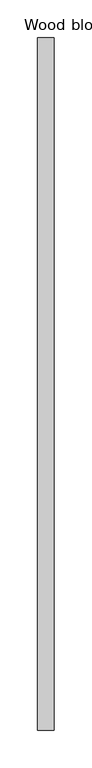
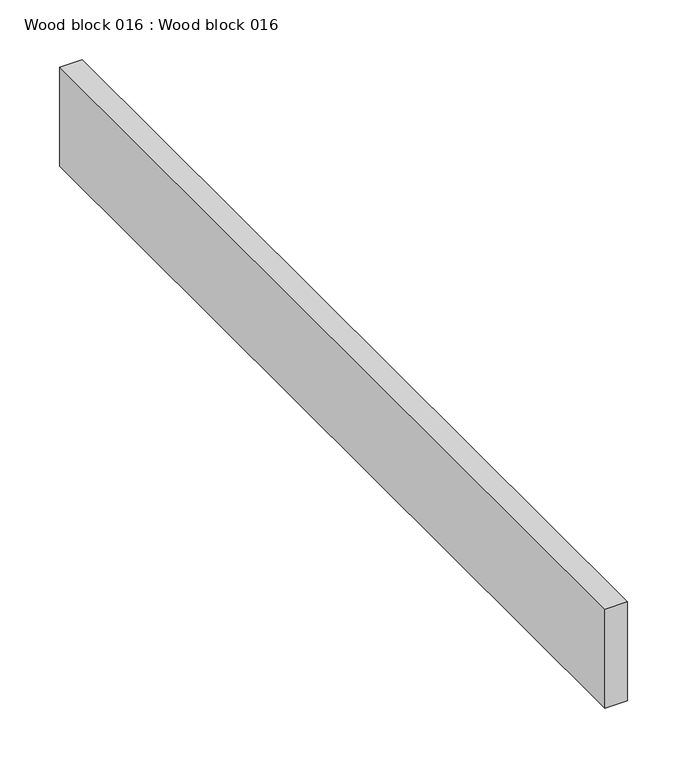
"""IFC4 building model written with IfcOpenShell, lengths in millimetres: proxy geometry, Wood block 016 : Wood block 016."""

from ifc_helpers import new_model, si_unit, frame, origin, place, context, project, spatial, polyline, outline, extrude, source, transform, mapped, element, save


def wood_block_016_wood_block_016_ec884008(model_context):
    return source(origin(), model_context, "Body", "SweptSolid", [
        extrude(outline(polyline([(37205.8513666, -18662.4264268), (37227.7380854, -18662.4264268), (37227.7380854, -19576.8264268), (37205.8513666, -19576.8264268), (37205.8513666, -18662.4264268)])), frame((0.0, 0.0, 1219.1354492), z_axis=(0.0, 0.0, 1.0), x_axis=(1.0, 0.0, 0.0)), (0.0, 0.0, 1.0), 101.6645508),
    ])


if __name__ == "__main__":
    model = new_model("IFC4")
    model_context = context("Model", 3, world=origin())
    ifc_project = project(units=[si_unit("LENGTHUNIT", "METRE", prefix="MILLI")], contexts=[model_context])
    site = spatial("IfcSite", under=ifc_project)
    building = spatial("IfcBuilding", under=site)
    placement = place(None, origin())
    wood_block_016_wood_block_016_shape = wood_block_016_wood_block_016_ec884008(model_context)
    element("IfcBuildingElementProxy", 1, Name="Wood block 016 : Wood block 016", ObjectType="Wood block 016 : Wood block 016", at=placement, inside=building, context=model_context, shape_type="MappedRepresentation", body=[
        mapped(wood_block_016_wood_block_016_shape, transform((0.0, 0.0, 0.0), x_axis=(1.0, 0.0, 0.0), y_axis=(0.0, 1.0, 0.0), z_axis=(0.0, 0.0, 1.0))),
    ])
    save(model, "model.ifc")
